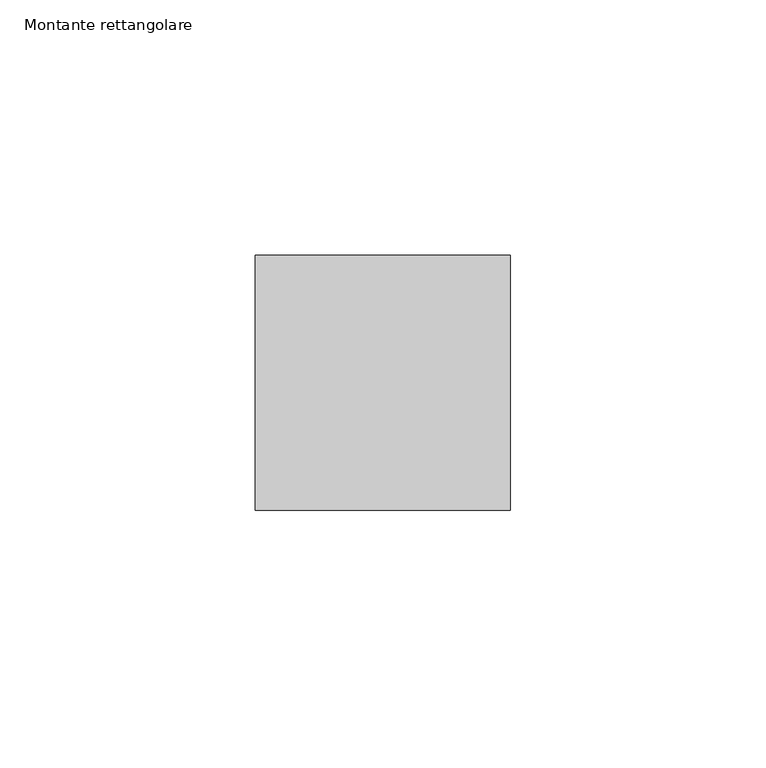
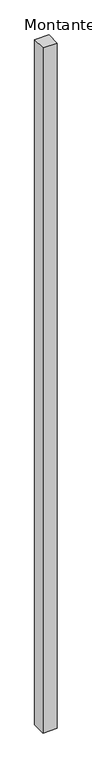
"""IFC4 building model written with IfcOpenShell, lengths in millimetres: member geometry, Montante rettangolare."""

from ifc_helpers import new_model, si_unit, frame, origin, place, context, project, spatial, polyline, outline, extrude, source, transform, mapped, element, save


def montante_rettangolare_a891fee9(model_context):
    return source(origin(), model_context, "Body", "SweptSolid", [
        extrude(outline(polyline([(0.0, 25.0), (0.0, -25.0), (-50.0, -25.0), (-50.0, 25.0), (0.0, 25.0)])), frame((0.0, 0.0, -2539.2035214), z_axis=(0.0, 0.0, 1.0), x_axis=(1.0, 0.0, 0.0)), (0.0, 0.0, 1.0), 2539.2035214),
    ])


if __name__ == "__main__":
    model = new_model("IFC4")
    model_context = context("Model", 3, world=origin())
    ifc_project = project(units=[si_unit("LENGTHUNIT", "METRE", prefix="MILLI")], contexts=[model_context])
    site = spatial("IfcSite", under=ifc_project)
    building = spatial("IfcBuilding", under=site)
    placement = place(None, origin())
    montante_rettangolare_shape = montante_rettangolare_a891fee9(model_context)
    element("IfcMember", 1, ObjectType="Montante rettangolare", at=placement, inside=building, context=model_context, shape_type="MappedRepresentation", body=[
        mapped(montante_rettangolare_shape, transform((0.0, 0.0, 0.0), x_axis=(1.0, 0.0, 0.0), y_axis=(0.0, 1.0, 0.0), z_axis=(0.0, 0.0, 1.0))),
    ])
    save(model, "model.ifc")
